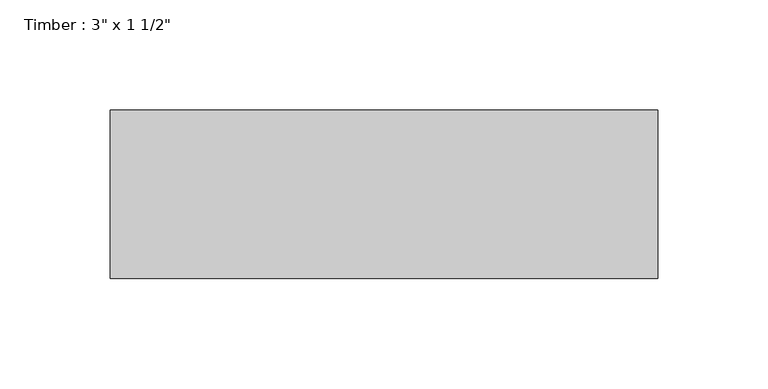
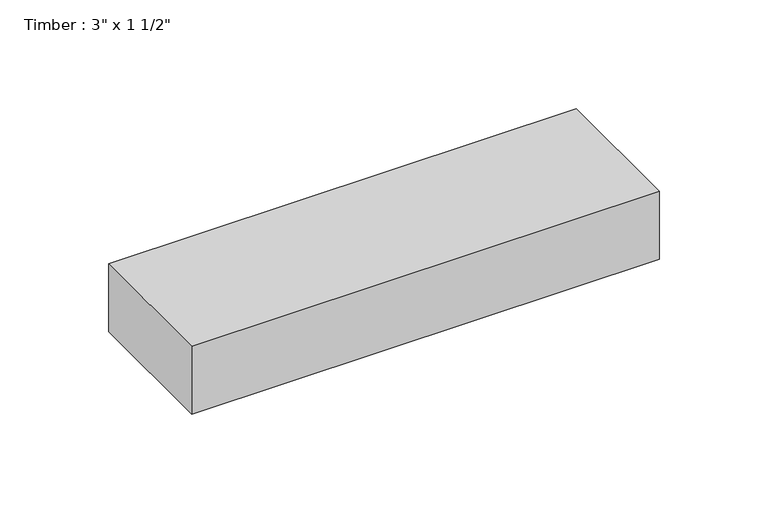
"""IFC4 building model written with IfcOpenShell, lengths in millimetres: beam geometry."""

from ifc_helpers import new_model, si_unit, frame, origin, place, context, project, spatial, polyline, outline, extrude, source, transform, mapped, element, save


def beam_5341cf5b(model_context):
    return source(origin(), model_context, "Body", "SweptSolid", [
        extrude(outline(polyline([(123.825, 38.1), (123.825, -38.1), (-123.825, -38.1), (-123.825, 38.1), (123.825, 38.1)])), frame((0.0, 0.0, -19.05), z_axis=(0.0, 0.0, 1.0), x_axis=(1.0, 0.0, 0.0)), (0.0, 0.0, 1.0), 38.1),
    ])


if __name__ == "__main__":
    model = new_model("IFC4")
    model_context = context("Model", 3, world=origin())
    ifc_project = project(units=[si_unit("LENGTHUNIT", "METRE", prefix="MILLI")], contexts=[model_context])
    site = spatial("IfcSite", under=ifc_project)
    building = spatial("IfcBuilding", under=site)
    placement = place(None, origin())
    beam_shape = beam_5341cf5b(model_context)
    element("IfcBeam", 1, ObjectType="Timber : 3\" x 1 1/2\"", at=placement, inside=building, context=model_context, shape_type="MappedRepresentation", body=[
        mapped(beam_shape, transform((0.0, 0.0, 0.0), x_axis=(1.0, 0.0, 0.0), y_axis=(0.0, 1.0, 0.0), z_axis=(0.0, 0.0, 1.0))),
    ])
    save(model, "model.ifc")
